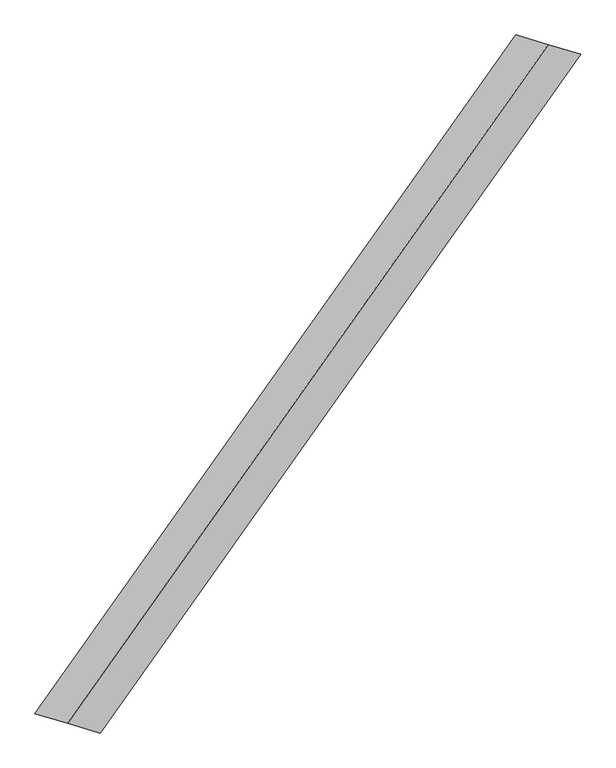
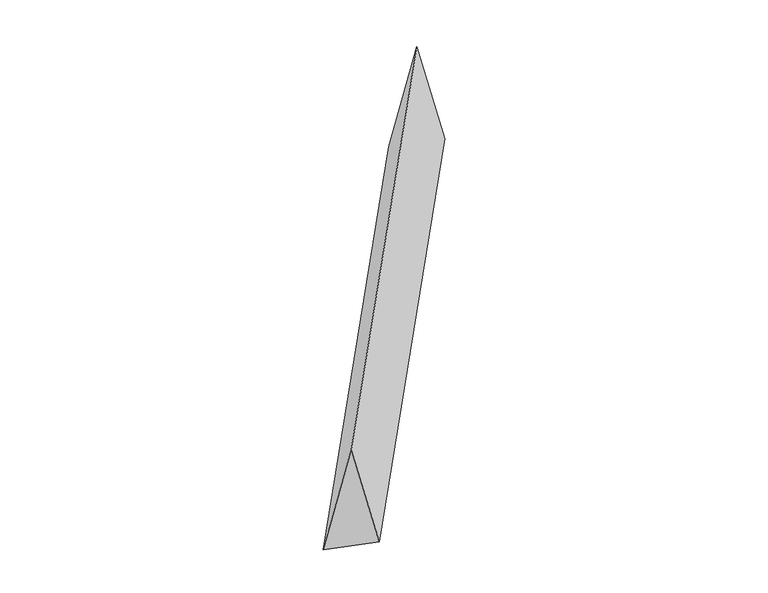
"""IFC4 building model written with IfcOpenShell, lengths in millimetres: proxy geometry."""

from ifc_helpers import new_model, si_unit, origin, place, context, project, spatial, faceted_brep, source, transform, mapped, element, save


def generic_models_8b3d0028(model_context):
    return source(origin(), model_context, "Body", "Brep", [
        faceted_brep([(-1222.2408655, -1724.4751419, 700.0), (-1056.5838056, -1773.3878114, 0.0), (1387.8979255, 1675.5624724, 0.0), (1222.2408655, 1724.4751419, 700.0), (-1387.8979255, -1675.5624724, 0.0), (1056.5838056, 1773.3878114, 0.0)], [[[0, 1, 2, 3]], [[1, 4, 5, 2]], [[4, 0, 3, 5]], [[3, 2, 5]], [[0, 4, 1]]]),
    ])


if __name__ == "__main__":
    model = new_model("IFC4")
    model_context = context("Model", 3, world=origin())
    ifc_project = project(units=[si_unit("LENGTHUNIT", "METRE", prefix="MILLI")], contexts=[model_context])
    site = spatial("IfcSite", under=ifc_project)
    building = spatial("IfcBuilding", under=site)
    placement = place(None, origin())
    generic_models_shape = generic_models_8b3d0028(model_context)
    element("IfcBuildingElementProxy", 1, Name="Generic Models", at=placement, inside=building, context=model_context, shape_type="MappedRepresentation", body=[
        mapped(generic_models_shape, transform((0.0, 0.0, 0.0), x_axis=(1.0, 0.0, 0.0), y_axis=(0.0, 1.0, 0.0), z_axis=(0.0, 0.0, 1.0))),
    ])
    save(model, "model.ifc")
